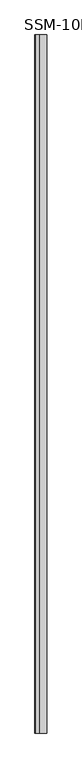
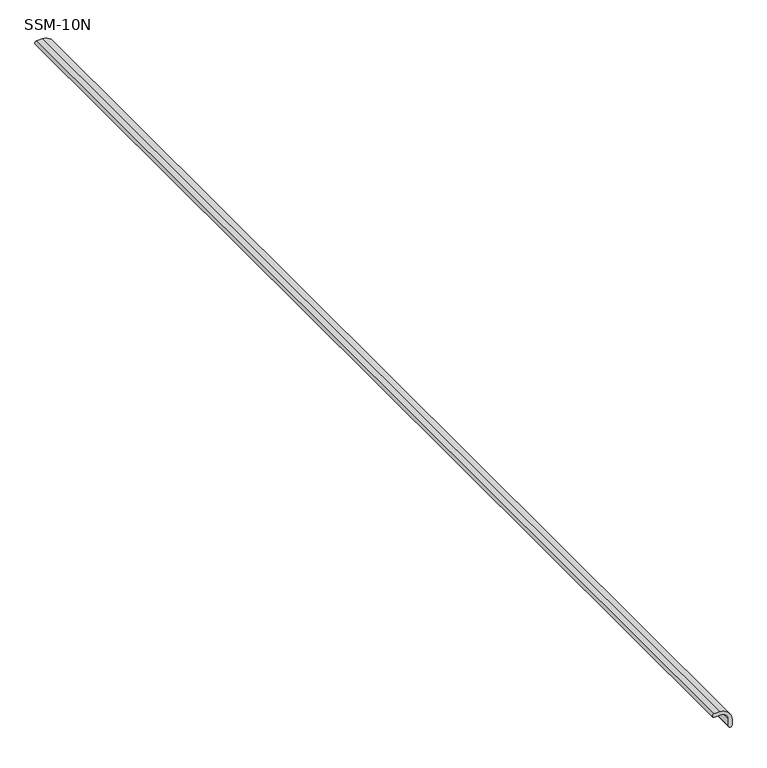
"""IFC4 building model written with IfcOpenShell, lengths in millimetres: proxy geometry, SSM-10N."""

from ifc_helpers import new_model, si_unit, point, frame, frame_2d, origin, place, context, project, spatial, polyline, circle_curve, trimmed, segment, composite_curve, outline, extrude, source, transform, mapped, element, save


def ssm_10n_8731a6f5(model_context):
    return source(origin(), model_context, "Body", "SweptSolid", [
        extrude(outline(composite_curve([segment(trimmed(circle_curve(frame_2d((4.7441327, -36.8195046)), 4.6601648), [point((9.4042975, -36.8195046))], [point((0.0839679, -36.8195046))], False, "CARTESIAN"), True, "CONTINUOUS"), segment(polyline([(0.0839679, -36.8195046), (0.0839679, -17.7590071)]), True, "CONTINUOUS"), segment(trimmed(circle_curve(frame_2d((-17.7590075, -17.7590071)), 17.8429754), [point((0.0839679, -17.7590071))], [point((-17.7590075, 0.0839683))], True, "CARTESIAN"), True, "CONTINUOUS"), segment(polyline([(-17.7590075, 0.0839683), (-36.8195048, 0.0839683)]), True, "CONTINUOUS"), segment(trimmed(circle_curve(frame_2d((-36.8195048, 4.7441329)), 4.6601646), [point((-36.8195048, 0.0839683))], [point((-36.8195048, 9.4042975))], False, "CARTESIAN"), True, "CONTINUOUS"), segment(polyline([(-36.8195048, 9.4042975), (-22.1252886, 9.4042975)]), True, "CONTINUOUS"), segment(trimmed(circle_curve(frame_2d((-22.1252886, -22.1252886)), 31.5295861), [point((-22.1252886, 9.4042975))], [point((9.4042975, -22.1252886))], False, "CARTESIAN"), True, "CONTINUOUS"), segment(polyline([(9.4042975, -22.1252886), (9.4042975, -36.8195046)]), True, "CONTINUOUS")], self_intersect=False)), frame((0.0, -1141.4125, 0.0), z_axis=(0.0, 1.0, 0.0), x_axis=(0.0, 0.0, 1.0)), (0.0, 0.0, 1.0), 3021.0125),
    ])


if __name__ == "__main__":
    model = new_model("IFC4")
    model_context = context("Model", 3, world=origin())
    ifc_project = project(units=[si_unit("LENGTHUNIT", "METRE", prefix="MILLI")], contexts=[model_context])
    site = spatial("IfcSite", under=ifc_project)
    building = spatial("IfcBuilding", under=site)
    placement = place(None, origin())
    ssm_10n_shape = ssm_10n_8731a6f5(model_context)
    element("IfcBuildingElementProxy", 1, Name="SSM-10N", ObjectType="SSM-10N", at=placement, inside=building, context=model_context, shape_type="MappedRepresentation", body=[
        mapped(ssm_10n_shape, transform((0.0, 0.0, 0.0), x_axis=(1.0, 0.0, 0.0), y_axis=(0.0, 1.0, 0.0), z_axis=(0.0, 0.0, 1.0))),
    ])
    save(model, "model.ifc")
